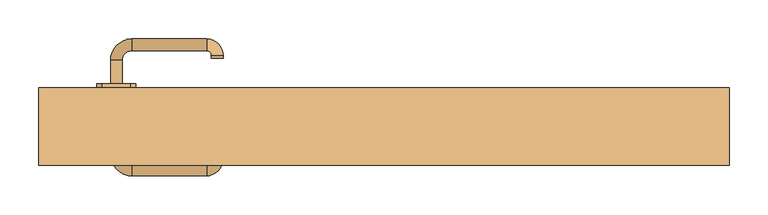
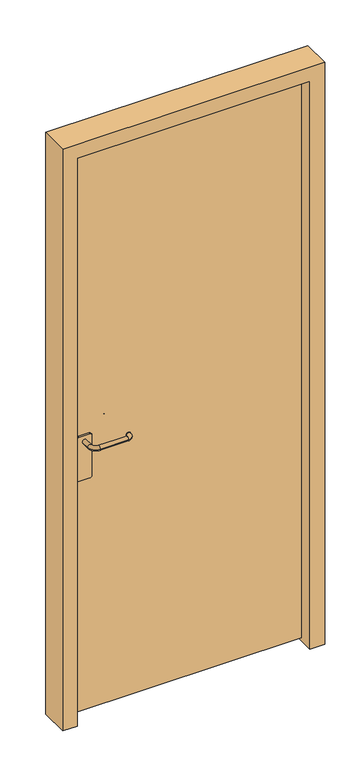
"""IFC4 building model written with IfcOpenShell, lengths in millimetres: door geometry."""

from ifc_helpers import new_model, si_unit, point, frame, frame_2d, origin, place, context, project, spatial, polyline, circle_curve, ellipse_curve, trimmed, segment, composite_curve, outline, extrude, source, transform, mapped, element, save
from ifc_brep_helpers import plane_surface, cylinder_surface, revolved_surface, advanced_brep


def door_1d670d13(model_context):
    return source(origin(), model_context, "Body", "SolidModel", [
        advanced_brep(
        [(-352.5, 183.6077061, 978.0), (-337.5, 183.6077061, 978.0), (-337.5, 213.6077061, 978.0), (-352.5, 213.6077061, 978.0), (-325.0, 226.1077061, 978.0), (-325.0, 241.1077061, 978.0), (-228.7497889, 226.1077061, 978.0), (-228.7497889, 241.1077061, 978.0), (-222.5, 219.8579172, 978.0), (-207.5, 219.8579172, 978.0), (-207.5, 216.4759661, 978.0), (-222.5, 216.4759661, 978.0)],
        [
            (0, 1, circle_curve(frame((-345.0, 183.6077061, 978.0), z_axis=(0.0, -1.0, 0.0), x_axis=(1.0, 0.0, 0.0)), 7.5)),
            (1, 0, circle_curve(frame((-345.0, 183.6077061, 978.0), z_axis=(0.0, -1.0, 0.0), x_axis=(1.0, 0.0, 0.0)), 7.5)),
            (1, 2),
            (2, 3, circle_curve(frame((-345.0, 213.6077061, 978.0), z_axis=(0.0, -1.0, 0.0), x_axis=(1.0, 0.0, 0.0)), 7.5)),
            (3, 0),
            (3, 2, circle_curve(frame((-345.0, 213.6077061, 978.0), z_axis=(0.0, -1.0, 0.0), x_axis=(1.0, 0.0, 0.0)), 7.5)),
            (4, 5, circle_curve(frame((-325.0, 233.6077061, 978.0), z_axis=(-1.0, 0.0, 0.0), x_axis=(0.0, -1.0, 0.0)), 7.5)),
            (5, 3, circle_curve(frame((-325.0, 213.6077061, 978.0), z_axis=(0.0, 0.0, 1.0), x_axis=(-1.0, 0.0, 0.0)), 27.5)),
            (2, 4, circle_curve(frame((-325.0, 213.6077061, 978.0), z_axis=(0.0, 0.0, -1.0), x_axis=(-1.0, 0.0, 0.0)), 12.5)),
            (5, 4, circle_curve(frame((-325.0, 233.6077061, 978.0), z_axis=(-1.0, 0.0, 0.0), x_axis=(0.0, -1.0, 0.0)), 7.5)),
            (4, 6),
            (6, 7, circle_curve(frame((-228.7497889, 233.6077061, 978.0), z_axis=(-1.0, 0.0, 0.0), x_axis=(0.0, -1.0, 0.0)), 7.5)),
            (7, 5),
            (7, 6, circle_curve(frame((-228.7497889, 233.6077061, 978.0), z_axis=(-1.0, 0.0, 0.0), x_axis=(0.0, -1.0, 0.0)), 7.5)),
            (8, 9, circle_curve(frame((-215.0, 219.8579172, 978.0), z_axis=(0.0, 1.0, 0.0), x_axis=(-1.0, 0.0, 0.0)), 7.5)),
            (9, 7, circle_curve(frame((-228.7497889, 219.8579172, 978.0), z_axis=(0.0, 0.0, 1.0), x_axis=(0.0, 1.0, 0.0)), 21.2497889)),
            (6, 8, circle_curve(frame((-228.7497889, 219.8579172, 978.0), z_axis=(0.0, 0.0, -1.0), x_axis=(0.0, 1.0, 0.0)), 6.2497889)),
            (9, 8, circle_curve(frame((-215.0, 219.8579172, 978.0), z_axis=(0.0, 1.0, 0.0), x_axis=(-1.0, 0.0, 0.0)), 7.5)),
            (10, 11, circle_curve(frame((-215.0, 216.4759661, 978.0), z_axis=(0.0, -1.0, 0.0), x_axis=(-1.0, 0.0, 0.0)), 7.5)),
            (11, 10, circle_curve(frame((-215.0, 216.4759661, 978.0), z_axis=(0.0, -1.0, 0.0), x_axis=(-1.0, 0.0, 0.0)), 7.5)),
            (8, 11),
            (10, 9),
        ],
        [
            plane_surface(frame((-345.0, 183.6077061, 978.0), z_axis=(0.0, -1.0, 0.0), x_axis=(0.0, 0.0, 1.0))),
            cylinder_surface(frame((-345.0, 183.6077061, 978.0), z_axis=(0.0, -1.0, 0.0), x_axis=(1.0, 0.0, 0.0)), 7.5),
            revolved_surface(trimmed(ellipse_curve(frame((-345.0, 213.6077061, 978.0), z_axis=(0.0, 1.0, 0.0), x_axis=(1.0, 0.0, 0.0)), 7.5, 7.5), [point((-352.5, 213.6077061, 978.0))], [point((-337.5, 213.6077061, 978.0))], True, "CARTESIAN"), (-325.0, 213.6077061, 978.0), (0.0, 0.0, 1.0)),
            revolved_surface(trimmed(ellipse_curve(frame((-345.0, 213.6077061, 978.0), z_axis=(0.0, 1.0, 0.0), x_axis=(1.0, 0.0, 0.0)), 7.5, 7.5), [point((-337.5, 213.6077061, 978.0))], [point((-352.5, 213.6077061, 978.0))], True, "CARTESIAN"), (-325.0, 213.6077061, 978.0), (0.0, 0.0, 1.0)),
            cylinder_surface(frame((-325.0, 233.6077061, 978.0), z_axis=(-1.0, 0.0, 0.0), x_axis=(0.0, -1.0, 0.0)), 7.5),
            revolved_surface(trimmed(ellipse_curve(frame((-228.7497889, 233.6077061, 978.0), z_axis=(1.0, 0.0, 0.0), x_axis=(0.0, -1.0, 0.0)), 7.5, 7.5), [point((-228.7497889, 241.1077061, 978.0))], [point((-228.7497889, 226.1077061, 978.0))], True, "CARTESIAN"), (-228.7497889, 219.8579172, 978.0), (0.0, 0.0, 1.0)),
            revolved_surface(trimmed(ellipse_curve(frame((-228.7497889, 233.6077061, 978.0), z_axis=(1.0, 0.0, 0.0), x_axis=(0.0, -1.0, 0.0)), 7.5, 7.5), [point((-228.7497889, 226.1077061, 978.0))], [point((-228.7497889, 241.1077061, 978.0))], True, "CARTESIAN"), (-228.7497889, 219.8579172, 978.0), (0.0, 0.0, 1.0)),
            plane_surface(frame((-215.0, 216.4759661, 978.0), z_axis=(0.0, -1.0, 0.0), x_axis=(0.0, 0.0, 1.0))),
            cylinder_surface(frame((-215.0, 219.8579172, 978.0), z_axis=(0.0, 1.0, 0.0), x_axis=(-1.0, 0.0, 0.0)), 7.5),
        ],
        [
            (0, [[1, 2]]),
            (1, [[3, 4, 5, -2]]),
            (1, [[-5, 6, -3, -1]]),
            (2, [[7, 8, -4, 9]]),
            (3, [[10, -9, -6, -8]]),
            (4, [[11, 12, 13, -7]]),
            (4, [[-13, 14, -11, -10]]),
            (5, [[15, 16, -12, 17]]),
            (6, [[18, -17, -14, -16]]),
            (7, [[19, 20]]),
            (8, [[21, -19, 22, -15]]),
            (8, [[-22, -20, -21, -18]]),
        ],
    ),
        extrude(outline(composite_curve([segment(polyline([(1000.0, -327.0), (1000.0, -363.0)]), True, "CONTINUOUS"), segment(trimmed(circle_curve(frame_2d((993.0, -363.0)), 7.0), [point((1000.0, -363.0))], [point((993.0, -370.0))], False, "CARTESIAN"), True, "CONTINUOUS"), segment(polyline([(993.0, -370.0), (847.986295, -370.0)]), True, "CONTINUOUS"), segment(trimmed(circle_curve(frame_2d((847.986295, -363.0)), 7.0), [point((847.986295, -370.0))], [point((840.986295, -363.0))], False, "CARTESIAN"), True, "CONTINUOUS"), segment(polyline([(840.986295, -363.0), (840.986295, -327.0)]), True, "CONTINUOUS"), segment(trimmed(circle_curve(frame_2d((847.986295, -327.0)), 7.0), [point((840.986295, -327.0))], [point((847.986295, -320.0))], False, "CARTESIAN"), True, "CONTINUOUS"), segment(polyline([(847.986295, -320.0), (993.0, -320.0)]), True, "CONTINUOUS"), segment(trimmed(circle_curve(frame_2d((993.0, -327.0)), 7.0), [point((993.0, -320.0))], [point((1000.0, -327.0))], False, "CARTESIAN"), True, "CONTINUOUS")], self_intersect=False)), frame((0.0, 178.0, 0.0), z_axis=(0.0, 1.0, 0.0), x_axis=(0.0, 0.0, 1.0)), (0.0, 0.0, 1.0), 5.6),
        advanced_brep(
        [(-352.5, 122.3922939, 978.0), (-337.5, 122.3922939, 978.0), (-352.5, 92.3922939, 978.0), (-337.5, 92.3922939, 978.0), (-325.0, 79.8922939, 978.0), (-325.0, 64.8922939, 978.0), (-228.7497889, 64.8922939, 978.0), (-228.7497889, 79.8922939, 978.0), (-222.5, 86.1420828, 978.0), (-207.5, 86.1420828, 978.0), (-207.5, 89.5240339, 978.0), (-222.5, 89.5240339, 978.0)],
        [
            (0, 1, circle_curve(frame((-345.0, 122.3922939, 978.0), z_axis=(0.0, 1.0, 0.0), x_axis=(1.0, 0.0, 0.0)), 7.5)),
            (1, 0, circle_curve(frame((-345.0, 122.3922939, 978.0), z_axis=(0.0, 1.0, 0.0), x_axis=(1.0, 0.0, 0.0)), 7.5)),
            (0, 2),
            (2, 3, circle_curve(frame((-345.0, 92.3922939, 978.0), z_axis=(0.0, 1.0, 0.0), x_axis=(1.0, 0.0, 0.0)), 7.5)),
            (3, 1),
            (3, 2, circle_curve(frame((-345.0, 92.3922939, 978.0), z_axis=(0.0, 1.0, 0.0), x_axis=(1.0, 0.0, 0.0)), 7.5)),
            (4, 3, circle_curve(frame((-325.0, 92.3922939, 978.0), z_axis=(0.0, 0.0, -1.0), x_axis=(-1.0, 0.0, 0.0)), 12.5)),
            (2, 5, circle_curve(frame((-325.0, 92.3922939, 978.0), z_axis=(0.0, 0.0, 1.0), x_axis=(-1.0, 0.0, 0.0)), 27.5)),
            (5, 4, circle_curve(frame((-325.0, 72.3922939, 978.0), z_axis=(-1.0, 0.0, 0.0), x_axis=(0.0, 1.0, 0.0)), 7.5)),
            (4, 5, circle_curve(frame((-325.0, 72.3922939, 978.0), z_axis=(-1.0, 0.0, 0.0), x_axis=(0.0, 1.0, 0.0)), 7.5)),
            (5, 6),
            (6, 7, circle_curve(frame((-228.7497889, 72.3922939, 978.0), z_axis=(-1.0, 0.0, 0.0), x_axis=(0.0, 1.0, 0.0)), 7.5)),
            (7, 4),
            (7, 6, circle_curve(frame((-228.7497889, 72.3922939, 978.0), z_axis=(-1.0, 0.0, 0.0), x_axis=(0.0, 1.0, 0.0)), 7.5)),
            (8, 7, circle_curve(frame((-228.7497889, 86.1420828, 978.0), z_axis=(0.0, 0.0, -1.0), x_axis=(0.0, -1.0, 0.0)), 6.2497889)),
            (6, 9, circle_curve(frame((-228.7497889, 86.1420828, 978.0), z_axis=(0.0, 0.0, 1.0), x_axis=(0.0, -1.0, 0.0)), 21.2497889)),
            (9, 8, circle_curve(frame((-215.0, 86.1420828, 978.0), z_axis=(0.0, -1.0, 0.0), x_axis=(-1.0, 0.0, 0.0)), 7.5)),
            (8, 9, circle_curve(frame((-215.0, 86.1420828, 978.0), z_axis=(0.0, -1.0, 0.0), x_axis=(-1.0, 0.0, 0.0)), 7.5)),
            (10, 11, circle_curve(frame((-215.0, 89.5240339, 978.0), z_axis=(0.0, 1.0, 0.0), x_axis=(-1.0, 0.0, 0.0)), 7.5)),
            (11, 10, circle_curve(frame((-215.0, 89.5240339, 978.0), z_axis=(0.0, 1.0, 0.0), x_axis=(-1.0, 0.0, 0.0)), 7.5)),
            (9, 10),
            (11, 8),
        ],
        [
            plane_surface(frame((-345.0, 122.3922939, 978.0), z_axis=(0.0, 1.0, 0.0), x_axis=(0.0, 0.0, 1.0))),
            cylinder_surface(frame((-345.0, 122.3922939, 978.0), z_axis=(0.0, 1.0, 0.0), x_axis=(1.0, 0.0, 0.0)), 7.5),
            revolved_surface(trimmed(ellipse_curve(frame((-345.0, 92.3922939, 978.0), z_axis=(0.0, 1.0, 0.0), x_axis=(1.0, 0.0, 0.0)), 7.5, 7.5), [point((-352.5, 92.3922939, 978.0))], [point((-337.5, 92.3922939, 978.0))], True, "CARTESIAN"), (-325.0, 92.3922939, 978.0), (0.0, 0.0, 1.0)),
            revolved_surface(trimmed(ellipse_curve(frame((-345.0, 92.3922939, 978.0), z_axis=(0.0, 1.0, 0.0), x_axis=(1.0, 0.0, 0.0)), 7.5, 7.5), [point((-337.5, 92.3922939, 978.0))], [point((-352.5, 92.3922939, 978.0))], True, "CARTESIAN"), (-325.0, 92.3922939, 978.0), (0.0, 0.0, 1.0)),
            cylinder_surface(frame((-325.0, 72.3922939, 978.0), z_axis=(-1.0, 0.0, 0.0), x_axis=(0.0, 1.0, 0.0)), 7.5),
            revolved_surface(trimmed(ellipse_curve(frame((-228.7497889, 72.3922939, 978.0), z_axis=(-1.0, 0.0, 0.0), x_axis=(0.0, 1.0, 0.0)), 7.5, 7.5), [point((-228.7497889, 64.8922939, 978.0))], [point((-228.7497889, 79.8922939, 978.0))], True, "CARTESIAN"), (-228.7497889, 86.1420828, 978.0), (0.0, 0.0, 1.0)),
            revolved_surface(trimmed(ellipse_curve(frame((-228.7497889, 72.3922939, 978.0), z_axis=(-1.0, 0.0, 0.0), x_axis=(0.0, 1.0, 0.0)), 7.5, 7.5), [point((-228.7497889, 79.8922939, 978.0))], [point((-228.7497889, 64.8922939, 978.0))], True, "CARTESIAN"), (-228.7497889, 86.1420828, 978.0), (0.0, 0.0, 1.0)),
            plane_surface(frame((-215.0, 89.5240339, 978.0), z_axis=(0.0, 1.0, 0.0), x_axis=(0.0, 0.0, 1.0))),
            cylinder_surface(frame((-215.0, 86.1420828, 978.0), z_axis=(0.0, -1.0, 0.0), x_axis=(-1.0, 0.0, 0.0)), 7.5),
        ],
        [
            (0, [[1, 2]]),
            (1, [[-1, 3, 4, 5]]),
            (1, [[-2, -5, 6, -3]]),
            (2, [[7, -4, 8, 9]]),
            (3, [[-8, -6, -7, 10]]),
            (4, [[-9, 11, 12, 13]]),
            (4, [[-10, -13, 14, -11]]),
            (5, [[15, -12, 16, 17]]),
            (6, [[-16, -14, -15, 18]]),
            (7, [[19, 20]]),
            (8, [[-17, 21, -20, 22]]),
            (8, [[-18, -22, -19, -21]]),
        ],
    ),
        extrude(outline(composite_curve([segment(polyline([(1000.0, -327.0), (1000.0, -363.0)]), True, "CONTINUOUS"), segment(trimmed(circle_curve(frame_2d((993.0, -363.0)), 7.0), [point((1000.0, -363.0))], [point((993.0, -370.0))], False, "CARTESIAN"), True, "CONTINUOUS"), segment(polyline([(993.0, -370.0), (847.986295, -370.0)]), True, "CONTINUOUS"), segment(trimmed(circle_curve(frame_2d((847.986295, -363.0)), 7.0), [point((847.986295, -370.0))], [point((840.986295, -363.0))], False, "CARTESIAN"), True, "CONTINUOUS"), segment(polyline([(840.986295, -363.0), (840.986295, -327.0)]), True, "CONTINUOUS"), segment(trimmed(circle_curve(frame_2d((847.986295, -327.0)), 7.0), [point((840.986295, -327.0))], [point((847.986295, -320.0))], False, "CARTESIAN"), True, "CONTINUOUS"), segment(polyline([(847.986295, -320.0), (993.0, -320.0)]), True, "CONTINUOUS"), segment(trimmed(circle_curve(frame_2d((993.0, -327.0)), 7.0), [point((993.0, -320.0))], [point((1000.0, -327.0))], False, "CARTESIAN"), True, "CONTINUOUS")], self_intersect=False)), frame((0.0, 122.4, 0.0), z_axis=(0.0, 1.0, 0.0), x_axis=(0.0, 0.0, 1.0)), (0.0, 0.0, 1.0), 5.6),
        extrude(outline(polyline([(-395.0, 178.0), (395.0, 178.0), (395.0, 128.0), (-395.0, 128.0), (-395.0, 178.0)])), frame((0.0, 0.0, 10.0), z_axis=(0.0, 0.0, 1.0), x_axis=(1.0, 0.0, 0.0)), (0.0, 0.0, 1.0), 2030.0),
        extrude(outline(polyline([(0.0, -445.0), (0.0, -395.0), (2040.0, -395.0), (2040.0, 395.0), (0.0, 395.0), (0.0, 445.0), (2090.0, 445.0), (2090.0, -445.0), (0.0, -445.0)])), frame((0.0, 78.0, 0.0), z_axis=(0.0, 1.0, 0.0), x_axis=(0.0, 0.0, 1.0)), (0.0, 0.0, 1.0), 100.0),
    ])


if __name__ == "__main__":
    model = new_model("IFC4")
    model_context = context("Model", 3, world=origin())
    ifc_project = project(units=[si_unit("LENGTHUNIT", "METRE", prefix="MILLI")], contexts=[model_context])
    site = spatial("IfcSite", under=ifc_project)
    building = spatial("IfcBuilding", under=site)
    placement = place(None, origin())
    door_shape = door_1d670d13(model_context)
    element("IfcDoor", 1, at=placement, inside=building, context=model_context, shape_type="MappedRepresentation", body=[
        mapped(door_shape, transform((0.0, 0.0, 0.0), x_axis=(1.0, 0.0, 0.0), y_axis=(0.0, 1.0, 0.0), z_axis=(0.0, 0.0, 1.0))),
    ])
    save(model, "model.ifc")
